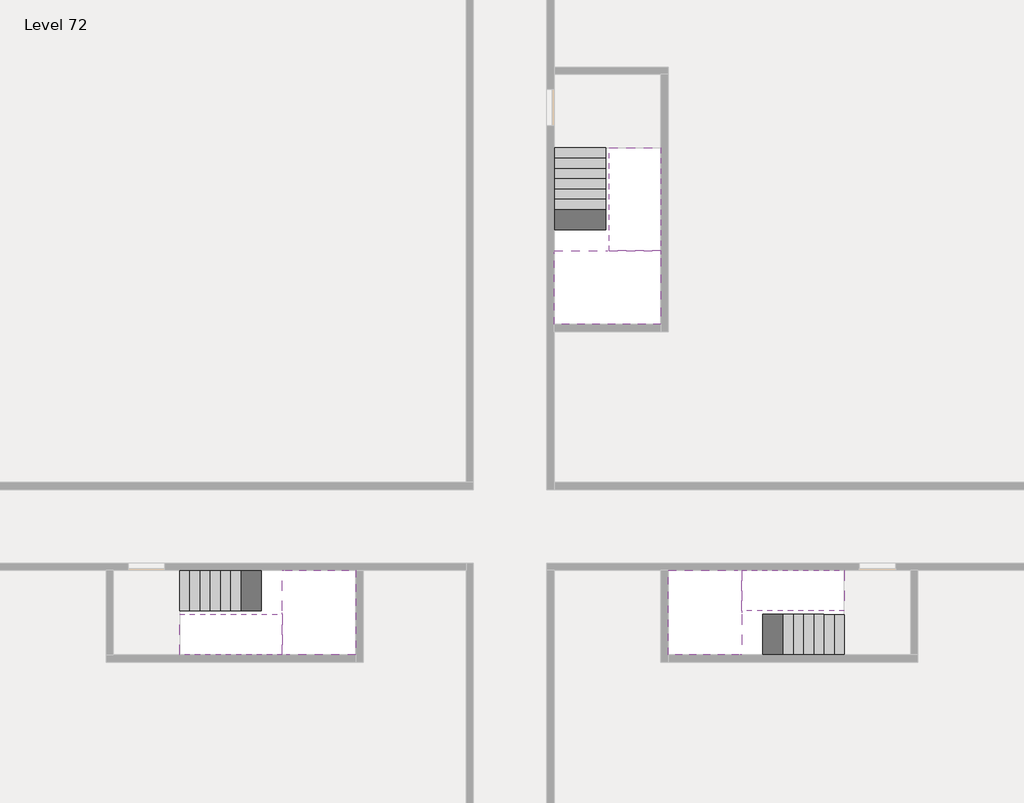
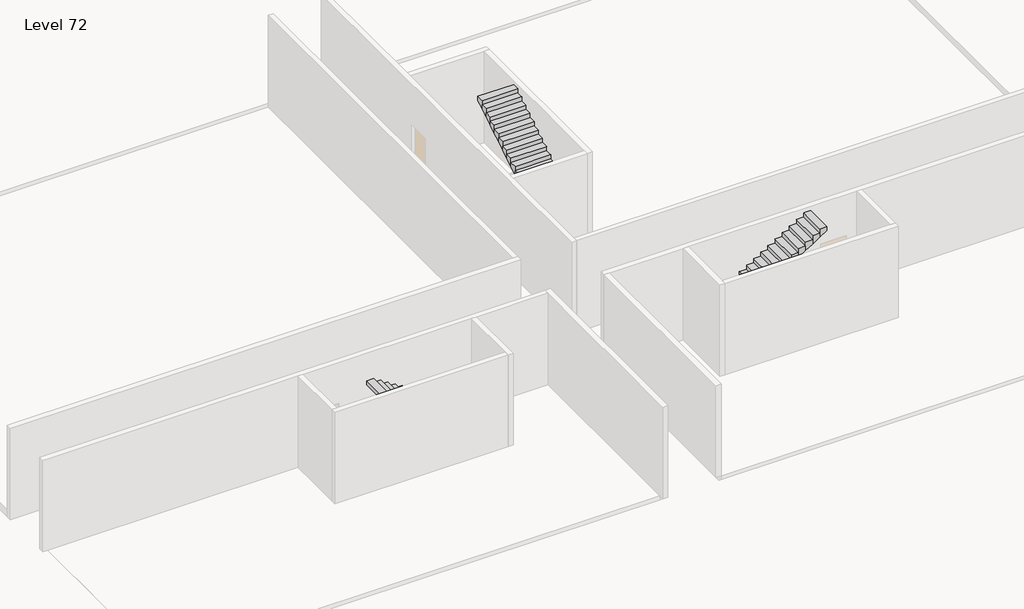
# One storey, part 2 of 2: 6 stair flights, 3 slabs.
"""IFC4 building model written with IfcOpenShell, lengths in millimetres."""

import ifcopenshell
import ifcopenshell.guid

model = None  # the IFC model being written
_history = None  # IfcOwnerHistory: only IFC2X3 demands one
_inside = {}  # id of a spatial element -> (the spatial element, [elements in it])
_under = {}  # id of a project, library or spatial element -> (it, [spatial elements below it])
_declared = {}  # id of a project -> (the project, [libraries it declares])
_typed = {}  # id of a type object -> (the type object, [elements of that type])
_made_of = {}  # id of a material, layer set ... -> (it, [elements and type objects made of it])


def new_model(schema):
    """Start an empty IFC model of exactly this schema.

    Asked for "IFC4X3", IfcOpenShell would pick the latest addendum, in which some entities
    have other attributes; the version numbers below select the first issue.
    IFC2X3 requires an IfcOwnerHistory on every rooted entity: one is made here for all.
    """
    global model, _history
    if schema == "IFC4X3":
        model = ifcopenshell.file(schema_version=(4, 3, 0, 0))
    else:
        model = ifcopenshell.file(schema=schema)
    _inside.clear()
    _under.clear()
    _declared.clear()
    _typed.clear()
    _made_of.clear()
    _history = None
    if model.schema == "IFC2X3":
        org = make("IfcOrganization", Name="unknown")
        user = make(
            "IfcPersonAndOrganization",
            ThePerson=make("IfcPerson", FamilyName="unknown"),
            TheOrganization=org,
        )
        app = make(
            "IfcApplication",
            ApplicationDeveloper=org,
            Version="unknown",
            ApplicationFullName="unknown",
            ApplicationIdentifier="unknown",
        )
        _history = make(
            "IfcOwnerHistory",
            OwningUser=user,
            OwningApplication=app,
            ChangeAction="ADDED",
            CreationDate=0,
        )
    return model


def make(cls, **values):
    """One entity of the class cls with the attributes given. An attribute that is None is left unset."""
    return model.create_entity(
        cls, **{name: value for name, value in values.items() if value is not None}
    )


def rooted(cls, **values):
    """An entity with a GlobalId (a new one), such as an element, a storey or a relation."""
    return make(cls, GlobalId=ifcopenshell.guid.new(), OwnerHistory=_history, **values)


def si_unit(unit_type, name, prefix=None):
    """IfcSIUnit, for example si_unit("LENGTHUNIT", "METRE", prefix="MILLI")."""
    return make("IfcSIUnit", UnitType=unit_type, Prefix=prefix, Name=name)


def assignment(units):
    """IfcUnitAssignment: the units of a project."""
    return None if units is None else make("IfcUnitAssignment", Units=units)


def point(xyz):
    """IfcCartesianPoint."""
    return None if xyz is None else make("IfcCartesianPoint", Coordinates=xyz)


def direction(xyz):
    """IfcDirection."""
    return None if xyz is None else make("IfcDirection", DirectionRatios=xyz)


def frame(location, z_axis=None, x_axis=None):
    """IfcAxis2Placement3D, a coordinate frame: its origin and axes. An axis left out is left unset."""
    return make(
        "IfcAxis2Placement3D",
        Location=point(location),
        Axis=direction(z_axis),
        RefDirection=direction(x_axis),
    )


def origin():
    """The frame at (0, 0, 0) with its axes left unset."""
    return frame((0.0, 0.0, 0.0))


def place(relative_to, where):
    """IfcLocalPlacement: puts the frame where relative to a parent placement (None: the world)."""
    return make(
        "IfcLocalPlacement", PlacementRelTo=relative_to, RelativePlacement=where
    )


def context(
    kind, dimensions, precision=None, world=None, true_north=None, identifier=None
):
    """IfcGeometricRepresentationContext, for example the 3D "Model" context."""
    return make(
        "IfcGeometricRepresentationContext",
        ContextIdentifier=identifier,
        ContextType=kind,
        CoordinateSpaceDimension=dimensions,
        Precision=precision,
        WorldCoordinateSystem=world,
        TrueNorth=true_north,
    )


def project(units=None, contexts=None):
    """IfcProject with its units and contexts."""
    return rooted(
        "IfcProject",
        Name="project",
        RepresentationContexts=contexts,
        UnitsInContext=assignment(units),
    )


def spatial(cls, under=None, at=None, **own):
    """A site, building, storey or space (cls), placed at a placement, below another one or the project."""
    s = rooted(cls, ObjectPlacement=at, **own)
    if under is not None:
        _under.setdefault(under.id(), (under, []))[1].append(s)
    return s


def faces_of(points, faces, orient=None, outer=None):
    """IfcFace entities. A face is a list of loops; a loop is a list of indices into points, from 0.

    orient and outer hold one flag for each loop. By default every Orientation is true, the
    first loop of a face is its IfcFaceOuterBound and the others are IfcFaceBound.
    """
    made = []
    for i, loops in enumerate(faces):
        bounds = []
        for j, loop in enumerate(loops):
            is_outer = j == 0 if outer is None else outer[i][j]
            bounds.append(
                make(
                    "IfcFaceOuterBound" if is_outer else "IfcFaceBound",
                    Bound=make("IfcPolyLoop", Polygon=[points[k] for k in loop]),
                    Orientation=True if orient is None else orient[i][j],
                )
            )
        made.append(make("IfcFace", Bounds=bounds))
    return made


def faceted_brep(points, faces, orient=None, outer=None, voids=None):
    """IfcFacetedBrep: a solid bounded by flat faces; with voids (closed shells), ...WithVoids."""
    shared = [point(p) for p in points]
    hull = make("IfcClosedShell", CfsFaces=faces_of(shared, faces, orient, outer))
    if voids is None:
        return make("IfcFacetedBrep", Outer=hull)
    return make(
        "IfcFacetedBrepWithVoids",
        Outer=hull,
        Voids=[
            make(cls, CfsFaces=faces_of(shared, fs, o, b)) for cls, fs, o, b in voids
        ],
    )


def shape(context_of_items, identifier, shape_type, items):
    """IfcShapeRepresentation: the items that make up one representation, for example the "Body"."""
    return make(
        "IfcShapeRepresentation",
        ContextOfItems=context_of_items,
        RepresentationIdentifier=identifier,
        RepresentationType=shape_type,
        Items=items,
    )


def made_of(thing, what):
    """Note that an element or type object is made of a material, layer set ...; save() writes the relation."""
    if what is not None:
        _made_of.setdefault(what.id(), (what, []))[1].append(thing)
    return thing


def element(
    cls,
    number,
    at=None,
    inside=None,
    cuts=None,
    type_object=None,
    material=None,
    context=None,
    identifier="Body",
    shape_type=None,
    held_by="IfcProductDefinitionShape",
    body=None,
    shapes=None,
    **own,
):
    """One element of the class cls, such as IfcWall. Its Tag is "e" and its number.

    at: its placement. inside: the storey or other place that contains it. cuts: it is an
    opening in that element (IfcRelVoidsElement). A single representation is given by context,
    identifier, shape_type and body (its items); several are given by shapes. held_by: the class
    of the entity that holds the representations. save() writes the other relations.
    """
    e = rooted(cls, Tag="e%d" % number, ObjectPlacement=at, **own)
    if body is not None:
        shapes = [shape(context, identifier, shape_type, body)]
    if shapes is not None:
        e.Representation = make(held_by, Representations=shapes)
    if inside is not None:
        _inside.setdefault(inside.id(), (inside, []))[1].append(e)
    if cuts is not None:
        rooted(
            "IfcRelVoidsElement", RelatingBuildingElement=cuts, RelatedOpeningElement=e
        )
    if type_object is not None:
        _typed.setdefault(type_object.id(), (type_object, []))[1].append(e)
    return made_of(e, material)


def aggregate(whole, parts):
    """IfcRelAggregates: a whole, such as a stair, and the parts it consists of."""
    return rooted("IfcRelAggregates", RelatingObject=whole, RelatedObjects=parts)


def save(model, path):
    """Write the relations noted so far, then the file.

    IfcRelAggregates (storeys below a building ...), IfcRelContainedInSpatialStructure (elements
    in a storey), IfcRelDefinesByType, IfcRelAssociatesMaterial and IfcRelDeclares: one each for
    every whole, place, type object, material and project.
    """
    for whole, parts in _under.values():
        aggregate(whole, parts)
    for where, things in _inside.values():
        rooted(
            "IfcRelContainedInSpatialStructure",
            RelatedElements=things,
            RelatingStructure=where,
        )
    for kind, things in _typed.values():
        rooted("IfcRelDefinesByType", RelatedObjects=things, RelatingType=kind)
    for what, things in _made_of.values():
        rooted("IfcRelAssociatesMaterial", RelatedObjects=things, RelatingMaterial=what)
    for by, libraries in _declared.values():
        rooted("IfcRelDeclares", RelatingContext=by, RelatedDefinitions=libraries)
    model.write(path)


model = new_model("IFC4")

# Units and contexts
model_context = context("Model", 3, world=origin())
ifc_project = project(units=[si_unit("LENGTHUNIT", "METRE", prefix="MILLI")], contexts=[model_context])

# Site, building, storey
site = spatial("IfcSite", under=ifc_project)
building = spatial("IfcBuilding", under=site)
storey = spatial("IfcBuildingStorey", under=building, Name="Level 72", Elevation=269800.0)

# Slabs
placement = place(None, origin())
element("IfcSlab", 1, at=placement, inside=storey, context=model_context, shape_type="Brep", body=[
    faceted_brep([(26790.1058784, -34218.09644, 271700.0), (25390.1058784, -34218.09644, 271700.0), (25390.1058784, -34297.4828763, 271700.0), (25390.1058784, -36218.09644, 271700.0), (28290.1058784, -36218.09644, 271700.0), (28290.1058784, -34418.7100038, 271700.0), (28290.1058784, -34218.09644, 271700.0), (26890.1058784, -34218.09644, 271700.0), (26790.1058784, -34218.09644, 271400.0), (26790.1058784, -34218.09644, 271351.0278478), (25390.1058784, -34218.09644, 271351.0278478), (25390.1058784, -34218.09644, 271527.2727273), (25390.1058784, -34297.4828763, 271400.0), (25390.1058784, -36218.09644, 271400.0), (28290.1058784, -36218.09644, 271400.0), (28290.1058784, -34418.7100038, 271400.0), (28290.1058784, -34218.09644, 271523.7551205), (26890.1058784, -34218.09644, 271523.7551205), (26890.1058784, -34218.09644, 271400.0), (26890.1058784, -34418.7100038, 271400.0), (26790.1058784, -34297.4828763, 271400.0)], [[[0, 1, 2, 3, 4, 5, 6, 7]], [[1, 0, 8, 9, 10, 11]], [[1, 11, 10, 12, 13, 3, 2]], [[4, 3, 13, 14]], [[4, 14, 15, 16, 6, 5]], [[7, 6, 16, 17]], [[0, 7, 17, 18, 8]], [[18, 19, 15, 14, 13, 12, 20, 8]], [[19, 18, 17]], [[20, 12, 10, 9]], [[8, 20, 9]], [[15, 19, 17, 16]]]),
])
element("IfcSlab", 2, at=placement, inside=storey, context=model_context, shape_type="Brep", body=[
    faceted_brep([(30490.1058784, -45218.09644, 271700.0), (30490.1058784, -44118.09644, 271700.0), (30490.1058784, -44018.09644, 271700.0), (30490.1058784, -42918.09644, 271700.0), (30289.4923146, -42918.09644, 271700.0), (28490.1058784, -42918.09644, 271700.0), (28490.1058784, -45218.09644, 271700.0), (30410.7194421, -45218.09644, 271700.0), (30490.1058784, -45218.09644, 271527.2727273), (30490.1058784, -45218.09644, 271351.0278478), (30490.1058784, -44118.09644, 271351.0278478), (30490.1058784, -44118.09644, 271400.0), (30490.1058784, -44018.09644, 271400.0), (30490.1058784, -44018.09644, 271523.7551205), (30490.1058784, -42918.09644, 271523.7551205), (30289.4923146, -42918.09644, 271400.0), (28490.1058784, -42918.09644, 271400.0), (28490.1058784, -45218.09644, 271400.0), (30410.7194421, -45218.09644, 271400.0), (30289.4923146, -44018.09644, 271400.0), (30410.7194421, -44118.09644, 271400.0)], [[[0, 1, 2, 3, 4, 5, 6, 7]], [[1, 0, 8, 9, 10, 11]], [[2, 1, 11, 12, 13]], [[3, 2, 13, 14]], [[3, 14, 15, 16, 5, 4]], [[6, 5, 16, 17]], [[9, 8, 0, 7, 6, 17, 18]], [[19, 12, 11, 20, 18, 17, 16, 15]], [[12, 19, 13]], [[18, 20, 10, 9]], [[20, 11, 10]], [[19, 15, 14, 13]]]),
])
element("IfcSlab", 3, at=placement, inside=storey, context=model_context, shape_type="Brep", body=[
    faceted_brep([(17990.1058784, -42918.09644, 271700.0), (17990.1058784, -44018.09644, 271700.0), (17990.1058784, -44118.09644, 271700.0), (17990.1058784, -45218.09644, 271700.0), (18190.7194421, -45218.09644, 271700.0), (19990.1058784, -45218.09644, 271700.0), (19990.1058784, -42918.09644, 271700.0), (18069.4923146, -42918.09644, 271700.0), (17990.1058784, -42918.09644, 271527.2727273), (17990.1058784, -42918.09644, 271351.0278478), (17990.1058784, -44018.09644, 271351.0278478), (17990.1058784, -44018.09644, 271400.0), (17990.1058784, -44118.09644, 271400.0), (17990.1058784, -44118.09644, 271523.7551205), (17990.1058784, -45218.09644, 271523.7551205), (18190.7194421, -45218.09644, 271400.0), (19990.1058784, -45218.09644, 271400.0), (19990.1058784, -42918.09644, 271400.0), (18069.4923146, -42918.09644, 271400.0), (18190.7194421, -44118.09644, 271400.0), (18069.4923146, -44018.09644, 271400.0)], [[[0, 1, 2, 3, 4, 5, 6, 7]], [[1, 0, 8, 9, 10, 11]], [[2, 1, 11, 12, 13]], [[3, 2, 13, 14]], [[3, 14, 15, 16, 5, 4]], [[6, 5, 16, 17]], [[9, 8, 0, 7, 6, 17, 18]], [[19, 12, 11, 20, 18, 17, 16, 15]], [[12, 19, 13]], [[18, 20, 10, 9]], [[20, 11, 10]], [[19, 15, 14, 13]]]),
])

# Stair flights
element("IfcStairFlight", 4, at=placement, inside=storey, context=model_context, shape_type="Brep", body=[
    faceted_brep([(26790.1058784, -31698.09644, 269972.7272727), (26790.1058784, -31418.09644, 269972.7272727), (25390.1058784, -31418.09644, 269972.7272727), (25390.1058784, -31698.09644, 269972.7272727), (26790.1058784, -31698.09644, 269800.0), (26790.1058784, -31418.09644, 269800.0), (25390.1058784, -31418.09644, 269800.0), (25390.1058784, -31698.09644, 269800.0), (26790.1058784, -31978.09644, 270145.4545455), (26790.1058784, -31698.09644, 270145.4545455), (25390.1058784, -31698.09644, 270145.4545455), (25390.1058784, -31978.09644, 270145.4545455), (26790.1058784, -31978.09644, 269969.209666), (26790.1058784, -31703.7986657, 269800.0), (25390.1058784, -31703.7986657, 269800.0), (25390.1058784, -31978.09644, 269969.209666), (26790.1058784, -32258.09644, 270318.1818182), (26790.1058784, -31978.09644, 270318.1818182), (25390.1058784, -31978.09644, 270318.1818182), (25390.1058784, -32258.09644, 270318.1818182), (26790.1058784, -32258.09644, 270141.9369387), (25390.1058784, -32258.09644, 270141.9369387), (26790.1058784, -32538.09644, 270490.9090909), (26790.1058784, -32258.09644, 270490.9090909), (25390.1058784, -32258.09644, 270490.9090909), (25390.1058784, -32538.09644, 270490.9090909), (26790.1058784, -32538.09644, 270314.6642114), (25390.1058784, -32538.09644, 270314.6642114), (26790.1058784, -32818.09644, 270663.6363636), (26790.1058784, -32538.09644, 270663.6363636), (25390.1058784, -32538.09644, 270663.6363636), (25390.1058784, -32818.09644, 270663.6363636), (26790.1058784, -32818.09644, 270487.3914841), (25390.1058784, -32818.09644, 270487.3914841), (26790.1058784, -33098.09644, 270836.3636364), (26790.1058784, -32818.09644, 270836.3636364), (25390.1058784, -32818.09644, 270836.3636364), (25390.1058784, -33098.09644, 270836.3636364), (26790.1058784, -33098.09644, 270660.1187569), (25390.1058784, -33098.09644, 270660.1187569), (26790.1058784, -33378.09644, 271009.0909091), (26790.1058784, -33098.09644, 271009.0909091), (25390.1058784, -33098.09644, 271009.0909091), (25390.1058784, -33378.09644, 271009.0909091), (26790.1058784, -33378.09644, 270832.8460296), (25390.1058784, -33378.09644, 270832.8460296), (26790.1058784, -33658.09644, 271181.8181818), (26790.1058784, -33378.09644, 271181.8181818), (25390.1058784, -33378.09644, 271181.8181818), (25390.1058784, -33658.09644, 271181.8181818), (26790.1058784, -33658.09644, 271005.5733023), (25390.1058784, -33658.09644, 271005.5733023), (26790.1058784, -33938.09644, 271354.5454545), (26790.1058784, -33658.09644, 271354.5454545), (25390.1058784, -33658.09644, 271354.5454545), (25390.1058784, -33938.09644, 271354.5454545), (26790.1058784, -33938.09644, 271178.3005751), (25390.1058784, -33938.09644, 271178.3005751), (26790.1058784, -34218.09644, 271527.2727273), (26790.1058784, -33938.09644, 271527.2727273), (25390.1058784, -33938.09644, 271527.2727273), (25390.1058784, -34218.09644, 271527.2727273), (26790.1058784, -34218.09644, 271400.0), (26790.1058784, -34218.09644, 271351.0278478), (25390.1058784, -34218.09644, 271351.0278478)], [[[0, 1, 2, 3]], [[1, 0, 4, 5]], [[2, 1, 5, 6]], [[3, 2, 6, 7]], [[8, 9, 10, 11]], [[4, 0, 9, 8, 12, 13]], [[0, 3, 10, 9]], [[3, 7, 14, 15, 11, 10]], [[16, 17, 18, 19]], [[17, 16, 20, 12, 8]], [[8, 11, 18, 17]], [[19, 18, 11, 15, 21]], [[22, 23, 24, 25]], [[23, 22, 26, 20, 16]], [[16, 19, 24, 23]], [[25, 24, 19, 21, 27]], [[28, 29, 30, 31]], [[29, 28, 32, 26, 22]], [[22, 25, 30, 29]], [[31, 30, 25, 27, 33]], [[34, 35, 36, 37]], [[35, 34, 38, 32, 28]], [[28, 31, 36, 35]], [[37, 36, 31, 33, 39]], [[40, 41, 42, 43]], [[41, 40, 44, 38, 34]], [[34, 37, 42, 41]], [[43, 42, 37, 39, 45]], [[46, 47, 48, 49]], [[47, 46, 50, 44, 40]], [[40, 43, 48, 47]], [[49, 48, 43, 45, 51]], [[52, 53, 54, 55]], [[53, 52, 56, 50, 46]], [[46, 49, 54, 53]], [[55, 54, 49, 51, 57]], [[58, 59, 60, 61]], [[59, 58, 62, 63, 56, 52]], [[52, 55, 60, 59]], [[61, 60, 55, 57, 64]], [[58, 61, 64, 63, 62]], [[5, 4, 13, 14, 7, 6]], [[14, 13, 12, 20, 26, 32, 38, 44, 50, 56, 63, 64, 57, 51, 45, 39, 33, 27, 21, 15]]]),
])
element("IfcStairFlight", 5, at=placement, inside=storey, context=model_context, shape_type="Brep", body=[
    faceted_brep([(26890.1058784, -33938.09644, 271872.7272727), (26890.1058784, -34218.09644, 271872.7272727), (28290.1058784, -34218.09644, 271872.7272727), (28290.1058784, -33938.09644, 271872.7272727), (26890.1058784, -33938.09644, 271696.4823932), (26890.1058784, -34218.09644, 271523.7551205), (28290.1058784, -34218.09644, 271523.7551205), (28290.1058784, -34218.09644, 271700.0), (28290.1058784, -33938.09644, 271696.4823932), (26890.1058784, -33658.09644, 272045.4545455), (26890.1058784, -33938.09644, 272045.4545455), (28290.1058784, -33938.09644, 272045.4545455), (28290.1058784, -33658.09644, 272045.4545455), (26890.1058784, -33658.09644, 271869.209666), (28290.1058784, -33658.09644, 271869.209666), (26890.1058784, -33378.09644, 272218.1818182), (26890.1058784, -33658.09644, 272218.1818182), (28290.1058784, -33658.09644, 272218.1818182), (28290.1058784, -33378.09644, 272218.1818182), (26890.1058784, -33378.09644, 272041.9369387), (28290.1058784, -33378.09644, 272041.9369387), (26890.1058784, -33098.09644, 272390.9090909), (26890.1058784, -33378.09644, 272390.9090909), (28290.1058784, -33378.09644, 272390.9090909), (28290.1058784, -33098.09644, 272390.9090909), (26890.1058784, -33098.09644, 272214.6642114), (28290.1058784, -33098.09644, 272214.6642114), (26890.1058784, -32818.09644, 272563.6363636), (26890.1058784, -33098.09644, 272563.6363636), (28290.1058784, -33098.09644, 272563.6363636), (28290.1058784, -32818.09644, 272563.6363636), (26890.1058784, -32818.09644, 272387.3914841), (28290.1058784, -32818.09644, 272387.3914841), (26890.1058784, -32538.09644, 272736.3636364), (26890.1058784, -32818.09644, 272736.3636364), (28290.1058784, -32818.09644, 272736.3636364), (28290.1058784, -32538.09644, 272736.3636364), (26890.1058784, -32538.09644, 272560.1187569), (28290.1058784, -32538.09644, 272560.1187569), (26890.1058784, -32258.09644, 272909.0909091), (26890.1058784, -32538.09644, 272909.0909091), (28290.1058784, -32538.09644, 272909.0909091), (28290.1058784, -32258.09644, 272909.0909091), (26890.1058784, -32258.09644, 272732.8460296), (28290.1058784, -32258.09644, 272732.8460296), (26890.1058784, -31978.09644, 273081.8181818), (26890.1058784, -32258.09644, 273081.8181818), (28290.1058784, -32258.09644, 273081.8181818), (28290.1058784, -31978.09644, 273081.8181818), (26890.1058784, -31978.09644, 272905.5733023), (28290.1058784, -31978.09644, 272905.5733023), (26890.1058784, -31698.09644, 273254.5454545), (26890.1058784, -31978.09644, 273254.5454545), (28290.1058784, -31978.09644, 273254.5454545), (28290.1058784, -31698.09644, 273254.5454545), (26890.1058784, -31698.09644, 273078.3005751), (28290.1058784, -31698.09644, 273078.3005751), (26890.1058784, -31418.09644, 273427.2727273), (26890.1058784, -31698.09644, 273427.2727273), (28290.1058784, -31698.09644, 273427.2727273), (28290.1058784, -31418.09644, 273427.2727273), (26890.1058784, -31418.09644, 273251.0278478), (28290.1058784, -31418.09644, 273251.0278478)], [[[0, 1, 2, 3]], [[1, 0, 4, 5]], [[2, 1, 5, 6, 7]], [[3, 2, 7, 6, 8]], [[9, 10, 11, 12]], [[10, 9, 13, 4, 0]], [[11, 10, 0, 3]], [[12, 11, 3, 8, 14]], [[15, 16, 17, 18]], [[16, 15, 19, 13, 9]], [[17, 16, 9, 12]], [[18, 17, 12, 14, 20]], [[21, 22, 23, 24]], [[22, 21, 25, 19, 15]], [[23, 22, 15, 18]], [[24, 23, 18, 20, 26]], [[27, 28, 29, 30]], [[28, 27, 31, 25, 21]], [[29, 28, 21, 24]], [[30, 29, 24, 26, 32]], [[33, 34, 35, 36]], [[34, 33, 37, 31, 27]], [[35, 34, 27, 30]], [[36, 35, 30, 32, 38]], [[39, 40, 41, 42]], [[40, 39, 43, 37, 33]], [[41, 40, 33, 36]], [[42, 41, 36, 38, 44]], [[45, 46, 47, 48]], [[46, 45, 49, 43, 39]], [[47, 46, 39, 42]], [[48, 47, 42, 44, 50]], [[51, 52, 53, 54]], [[52, 51, 55, 49, 45]], [[53, 52, 45, 48]], [[54, 53, 48, 50, 56]], [[57, 58, 59, 60]], [[58, 57, 61, 55, 51]], [[59, 58, 51, 54]], [[60, 59, 54, 56, 62]], [[57, 60, 62, 61]], [[5, 4, 13, 19, 25, 31, 37, 43, 49, 55, 61, 62, 56, 50, 44, 38, 32, 26, 20, 14, 8, 6]]]),
])
element("IfcStairFlight", 6, at=placement, inside=storey, context=model_context, shape_type="Brep", body=[
    faceted_brep([(33010.1058784, -45218.09644, 269972.7272727), (33290.1058784, -45218.09644, 269972.7272727), (33290.1058784, -44118.09644, 269972.7272727), (33010.1058784, -44118.09644, 269972.7272727), (33010.1058784, -45218.09644, 269800.0), (33290.1058784, -45218.09644, 269800.0), (33290.1058784, -44118.09644, 269800.0), (33010.1058784, -44118.09644, 269800.0), (32730.1058784, -45218.09644, 270145.4545455), (33010.1058784, -45218.09644, 270145.4545455), (33010.1058784, -44118.09644, 270145.4545455), (32730.1058784, -44118.09644, 270145.4545455), (32730.1058784, -45218.09644, 269969.209666), (33004.4036527, -45218.09644, 269800.0), (33004.4036527, -44118.09644, 269800.0), (32730.1058784, -44118.09644, 269969.209666), (32450.1058784, -45218.09644, 270318.1818182), (32730.1058784, -45218.09644, 270318.1818182), (32730.1058784, -44118.09644, 270318.1818182), (32450.1058784, -44118.09644, 270318.1818182), (32450.1058784, -45218.09644, 270141.9369387), (32450.1058784, -44118.09644, 270141.9369387), (32170.1058784, -45218.09644, 270490.9090909), (32450.1058784, -45218.09644, 270490.9090909), (32450.1058784, -44118.09644, 270490.9090909), (32170.1058784, -44118.09644, 270490.9090909), (32170.1058784, -45218.09644, 270314.6642114), (32170.1058784, -44118.09644, 270314.6642114), (31890.1058784, -45218.09644, 270663.6363636), (32170.1058784, -45218.09644, 270663.6363636), (32170.1058784, -44118.09644, 270663.6363636), (31890.1058784, -44118.09644, 270663.6363636), (31890.1058784, -45218.09644, 270487.3914841), (31890.1058784, -44118.09644, 270487.3914841), (31610.1058784, -45218.09644, 270836.3636364), (31890.1058784, -45218.09644, 270836.3636364), (31890.1058784, -44118.09644, 270836.3636364), (31610.1058784, -44118.09644, 270836.3636364), (31610.1058784, -45218.09644, 270660.1187569), (31610.1058784, -44118.09644, 270660.1187569), (31330.1058784, -45218.09644, 271009.0909091), (31610.1058784, -45218.09644, 271009.0909091), (31610.1058784, -44118.09644, 271009.0909091), (31330.1058784, -44118.09644, 271009.0909091), (31330.1058784, -45218.09644, 270832.8460296), (31330.1058784, -44118.09644, 270832.8460296), (31050.1058784, -45218.09644, 271181.8181818), (31330.1058784, -45218.09644, 271181.8181818), (31330.1058784, -44118.09644, 271181.8181818), (31050.1058784, -44118.09644, 271181.8181818), (31050.1058784, -45218.09644, 271005.5733023), (31050.1058784, -44118.09644, 271005.5733023), (30770.1058784, -45218.09644, 271354.5454545), (31050.1058784, -45218.09644, 271354.5454545), (31050.1058784, -44118.09644, 271354.5454545), (30770.1058784, -44118.09644, 271354.5454545), (30770.1058784, -45218.09644, 271178.3005751), (30770.1058784, -44118.09644, 271178.3005751), (30490.1058784, -45218.09644, 271527.2727273), (30770.1058784, -45218.09644, 271527.2727273), (30770.1058784, -44118.09644, 271527.2727273), (30490.1058784, -44118.09644, 271527.2727273), (30490.1058784, -45218.09644, 271351.0278478), (30490.1058784, -44118.09644, 271351.0278478), (30490.1058784, -44118.09644, 271400.0)], [[[0, 1, 2, 3]], [[1, 0, 4, 5]], [[2, 1, 5, 6]], [[3, 2, 6, 7]], [[8, 9, 10, 11]], [[4, 0, 9, 8, 12, 13]], [[0, 3, 10, 9]], [[3, 7, 14, 15, 11, 10]], [[16, 17, 18, 19]], [[17, 16, 20, 12, 8]], [[8, 11, 18, 17]], [[19, 18, 11, 15, 21]], [[22, 23, 24, 25]], [[23, 22, 26, 20, 16]], [[16, 19, 24, 23]], [[25, 24, 19, 21, 27]], [[28, 29, 30, 31]], [[29, 28, 32, 26, 22]], [[22, 25, 30, 29]], [[31, 30, 25, 27, 33]], [[34, 35, 36, 37]], [[35, 34, 38, 32, 28]], [[28, 31, 36, 35]], [[37, 36, 31, 33, 39]], [[40, 41, 42, 43]], [[41, 40, 44, 38, 34]], [[34, 37, 42, 41]], [[43, 42, 37, 39, 45]], [[46, 47, 48, 49]], [[47, 46, 50, 44, 40]], [[40, 43, 48, 47]], [[49, 48, 43, 45, 51]], [[52, 53, 54, 55]], [[53, 52, 56, 50, 46]], [[46, 49, 54, 53]], [[55, 54, 49, 51, 57]], [[58, 59, 60, 61]], [[59, 58, 62, 56, 52]], [[52, 55, 60, 59]], [[61, 60, 55, 57, 63, 64]], [[58, 61, 64, 63, 62]], [[5, 4, 13, 14, 7, 6]], [[14, 13, 12, 20, 26, 32, 38, 44, 50, 56, 62, 63, 57, 51, 45, 39, 33, 27, 21, 15]]]),
])
element("IfcStairFlight", 7, at=placement, inside=storey, context=model_context, shape_type="Brep", body=[
    faceted_brep([(30770.1058784, -42918.09644, 271872.7272727), (30490.1058784, -42918.09644, 271872.7272727), (30490.1058784, -44018.09644, 271872.7272727), (30770.1058784, -44018.09644, 271872.7272727), (30770.1058784, -42918.09644, 271696.4823932), (30490.1058784, -42918.09644, 271523.7551205), (30490.1058784, -42918.09644, 271700.0), (30490.1058784, -44018.09644, 271523.7551205), (30770.1058784, -44018.09644, 271696.4823932), (31050.1058784, -42918.09644, 272045.4545455), (30770.1058784, -42918.09644, 272045.4545455), (30770.1058784, -44018.09644, 272045.4545455), (31050.1058784, -44018.09644, 272045.4545455), (31050.1058784, -42918.09644, 271869.209666), (31050.1058784, -44018.09644, 271869.209666), (31330.1058784, -42918.09644, 272218.1818182), (31050.1058784, -42918.09644, 272218.1818182), (31050.1058784, -44018.09644, 272218.1818182), (31330.1058784, -44018.09644, 272218.1818182), (31330.1058784, -42918.09644, 272041.9369387), (31330.1058784, -44018.09644, 272041.9369387), (31610.1058784, -42918.09644, 272390.9090909), (31330.1058784, -42918.09644, 272390.9090909), (31330.1058784, -44018.09644, 272390.9090909), (31610.1058784, -44018.09644, 272390.9090909), (31610.1058784, -42918.09644, 272214.6642114), (31610.1058784, -44018.09644, 272214.6642114), (31890.1058784, -42918.09644, 272563.6363636), (31610.1058784, -42918.09644, 272563.6363636), (31610.1058784, -44018.09644, 272563.6363636), (31890.1058784, -44018.09644, 272563.6363636), (31890.1058784, -42918.09644, 272387.3914841), (31890.1058784, -44018.09644, 272387.3914841), (32170.1058784, -42918.09644, 272736.3636364), (31890.1058784, -42918.09644, 272736.3636364), (31890.1058784, -44018.09644, 272736.3636364), (32170.1058784, -44018.09644, 272736.3636364), (32170.1058784, -42918.09644, 272560.1187569), (32170.1058784, -44018.09644, 272560.1187569), (32450.1058784, -42918.09644, 272909.0909091), (32170.1058784, -42918.09644, 272909.0909091), (32170.1058784, -44018.09644, 272909.0909091), (32450.1058784, -44018.09644, 272909.0909091), (32450.1058784, -42918.09644, 272732.8460296), (32450.1058784, -44018.09644, 272732.8460296), (32730.1058784, -42918.09644, 273081.8181818), (32450.1058784, -42918.09644, 273081.8181818), (32450.1058784, -44018.09644, 273081.8181818), (32730.1058784, -44018.09644, 273081.8181818), (32730.1058784, -42918.09644, 272905.5733023), (32730.1058784, -44018.09644, 272905.5733023), (33010.1058784, -42918.09644, 273254.5454545), (32730.1058784, -42918.09644, 273254.5454545), (32730.1058784, -44018.09644, 273254.5454545), (33010.1058784, -44018.09644, 273254.5454545), (33010.1058784, -42918.09644, 273078.3005751), (33010.1058784, -44018.09644, 273078.3005751), (33290.1058784, -42918.09644, 273427.2727273), (33010.1058784, -42918.09644, 273427.2727273), (33010.1058784, -44018.09644, 273427.2727273), (33290.1058784, -44018.09644, 273427.2727273), (33290.1058784, -42918.09644, 273251.0278478), (33290.1058784, -44018.09644, 273251.0278478)], [[[0, 1, 2, 3]], [[1, 0, 4, 5, 6]], [[2, 1, 6, 5, 7]], [[3, 2, 7, 8]], [[9, 10, 11, 12]], [[10, 9, 13, 4, 0]], [[11, 10, 0, 3]], [[12, 11, 3, 8, 14]], [[15, 16, 17, 18]], [[16, 15, 19, 13, 9]], [[17, 16, 9, 12]], [[18, 17, 12, 14, 20]], [[21, 22, 23, 24]], [[22, 21, 25, 19, 15]], [[23, 22, 15, 18]], [[24, 23, 18, 20, 26]], [[27, 28, 29, 30]], [[28, 27, 31, 25, 21]], [[29, 28, 21, 24]], [[30, 29, 24, 26, 32]], [[33, 34, 35, 36]], [[34, 33, 37, 31, 27]], [[35, 34, 27, 30]], [[36, 35, 30, 32, 38]], [[39, 40, 41, 42]], [[40, 39, 43, 37, 33]], [[41, 40, 33, 36]], [[42, 41, 36, 38, 44]], [[45, 46, 47, 48]], [[46, 45, 49, 43, 39]], [[47, 46, 39, 42]], [[48, 47, 42, 44, 50]], [[51, 52, 53, 54]], [[52, 51, 55, 49, 45]], [[53, 52, 45, 48]], [[54, 53, 48, 50, 56]], [[57, 58, 59, 60]], [[58, 57, 61, 55, 51]], [[59, 58, 51, 54]], [[60, 59, 54, 56, 62]], [[57, 60, 62, 61]], [[5, 4, 13, 19, 25, 31, 37, 43, 49, 55, 61, 62, 56, 50, 44, 38, 32, 26, 20, 14, 8, 7]]]),
])
element("IfcStairFlight", 8, at=placement, inside=storey, context=model_context, shape_type="Brep", body=[
    faceted_brep([(15470.1058784, -42918.09644, 269972.7272727), (15190.1058784, -42918.09644, 269972.7272727), (15190.1058784, -44018.09644, 269972.7272727), (15470.1058784, -44018.09644, 269972.7272727), (15470.1058784, -42918.09644, 269800.0), (15190.1058784, -42918.09644, 269800.0), (15190.1058784, -44018.09644, 269800.0), (15470.1058784, -44018.09644, 269800.0), (15750.1058784, -42918.09644, 270145.4545455), (15470.1058784, -42918.09644, 270145.4545455), (15470.1058784, -44018.09644, 270145.4545455), (15750.1058784, -44018.09644, 270145.4545455), (15750.1058784, -42918.09644, 269969.209666), (15475.8081041, -42918.09644, 269800.0), (15475.8081041, -44018.09644, 269800.0), (15750.1058784, -44018.09644, 269969.209666), (16030.1058784, -42918.09644, 270318.1818182), (15750.1058784, -42918.09644, 270318.1818182), (15750.1058784, -44018.09644, 270318.1818182), (16030.1058784, -44018.09644, 270318.1818182), (16030.1058784, -42918.09644, 270141.9369387), (16030.1058784, -44018.09644, 270141.9369387), (16310.1058784, -42918.09644, 270490.9090909), (16030.1058784, -42918.09644, 270490.9090909), (16030.1058784, -44018.09644, 270490.9090909), (16310.1058784, -44018.09644, 270490.9090909), (16310.1058784, -42918.09644, 270314.6642114), (16310.1058784, -44018.09644, 270314.6642114), (16590.1058784, -42918.09644, 270663.6363636), (16310.1058784, -42918.09644, 270663.6363636), (16310.1058784, -44018.09644, 270663.6363636), (16590.1058784, -44018.09644, 270663.6363636), (16590.1058784, -42918.09644, 270487.3914841), (16590.1058784, -44018.09644, 270487.3914841), (16870.1058784, -42918.09644, 270836.3636364), (16590.1058784, -42918.09644, 270836.3636364), (16590.1058784, -44018.09644, 270836.3636364), (16870.1058784, -44018.09644, 270836.3636364), (16870.1058784, -42918.09644, 270660.1187569), (16870.1058784, -44018.09644, 270660.1187569), (17150.1058784, -42918.09644, 271009.0909091), (16870.1058784, -42918.09644, 271009.0909091), (16870.1058784, -44018.09644, 271009.0909091), (17150.1058784, -44018.09644, 271009.0909091), (17150.1058784, -42918.09644, 270832.8460296), (17150.1058784, -44018.09644, 270832.8460296), (17430.1058784, -42918.09644, 271181.8181818), (17150.1058784, -42918.09644, 271181.8181818), (17150.1058784, -44018.09644, 271181.8181818), (17430.1058784, -44018.09644, 271181.8181818), (17430.1058784, -42918.09644, 271005.5733023), (17430.1058784, -44018.09644, 271005.5733023), (17710.1058784, -42918.09644, 271354.5454545), (17430.1058784, -42918.09644, 271354.5454545), (17430.1058784, -44018.09644, 271354.5454545), (17710.1058784, -44018.09644, 271354.5454545), (17710.1058784, -42918.09644, 271178.3005751), (17710.1058784, -44018.09644, 271178.3005751), (17990.1058784, -42918.09644, 271527.2727273), (17710.1058784, -42918.09644, 271527.2727273), (17710.1058784, -44018.09644, 271527.2727273), (17990.1058784, -44018.09644, 271527.2727273), (17990.1058784, -42918.09644, 271351.0278478), (17990.1058784, -44018.09644, 271351.0278478), (17990.1058784, -44018.09644, 271400.0)], [[[0, 1, 2, 3]], [[1, 0, 4, 5]], [[2, 1, 5, 6]], [[3, 2, 6, 7]], [[8, 9, 10, 11]], [[4, 0, 9, 8, 12, 13]], [[0, 3, 10, 9]], [[3, 7, 14, 15, 11, 10]], [[16, 17, 18, 19]], [[17, 16, 20, 12, 8]], [[8, 11, 18, 17]], [[19, 18, 11, 15, 21]], [[22, 23, 24, 25]], [[23, 22, 26, 20, 16]], [[16, 19, 24, 23]], [[25, 24, 19, 21, 27]], [[28, 29, 30, 31]], [[29, 28, 32, 26, 22]], [[22, 25, 30, 29]], [[31, 30, 25, 27, 33]], [[34, 35, 36, 37]], [[35, 34, 38, 32, 28]], [[28, 31, 36, 35]], [[37, 36, 31, 33, 39]], [[40, 41, 42, 43]], [[41, 40, 44, 38, 34]], [[34, 37, 42, 41]], [[43, 42, 37, 39, 45]], [[46, 47, 48, 49]], [[47, 46, 50, 44, 40]], [[40, 43, 48, 47]], [[49, 48, 43, 45, 51]], [[52, 53, 54, 55]], [[53, 52, 56, 50, 46]], [[46, 49, 54, 53]], [[55, 54, 49, 51, 57]], [[58, 59, 60, 61]], [[59, 58, 62, 56, 52]], [[52, 55, 60, 59]], [[61, 60, 55, 57, 63, 64]], [[58, 61, 64, 63, 62]], [[5, 4, 13, 14, 7, 6]], [[14, 13, 12, 20, 26, 32, 38, 44, 50, 56, 62, 63, 57, 51, 45, 39, 33, 27, 21, 15]]]),
])
element("IfcStairFlight", 9, at=placement, inside=storey, context=model_context, shape_type="Brep", body=[
    faceted_brep([(17710.1058784, -45218.09644, 271872.7272727), (17990.1058784, -45218.09644, 271872.7272727), (17990.1058784, -44118.09644, 271872.7272727), (17710.1058784, -44118.09644, 271872.7272727), (17710.1058784, -45218.09644, 271696.4823932), (17990.1058784, -45218.09644, 271523.7551205), (17990.1058784, -45218.09644, 271700.0), (17990.1058784, -44118.09644, 271523.7551205), (17710.1058784, -44118.09644, 271696.4823932), (17430.1058784, -45218.09644, 272045.4545455), (17710.1058784, -45218.09644, 272045.4545455), (17710.1058784, -44118.09644, 272045.4545455), (17430.1058784, -44118.09644, 272045.4545455), (17430.1058784, -45218.09644, 271869.209666), (17430.1058784, -44118.09644, 271869.209666), (17150.1058784, -45218.09644, 272218.1818182), (17430.1058784, -45218.09644, 272218.1818182), (17430.1058784, -44118.09644, 272218.1818182), (17150.1058784, -44118.09644, 272218.1818182), (17150.1058784, -45218.09644, 272041.9369387), (17150.1058784, -44118.09644, 272041.9369387), (16870.1058784, -45218.09644, 272390.9090909), (17150.1058784, -45218.09644, 272390.9090909), (17150.1058784, -44118.09644, 272390.9090909), (16870.1058784, -44118.09644, 272390.9090909), (16870.1058784, -45218.09644, 272214.6642114), (16870.1058784, -44118.09644, 272214.6642114), (16590.1058784, -45218.09644, 272563.6363636), (16870.1058784, -45218.09644, 272563.6363636), (16870.1058784, -44118.09644, 272563.6363636), (16590.1058784, -44118.09644, 272563.6363636), (16590.1058784, -45218.09644, 272387.3914841), (16590.1058784, -44118.09644, 272387.3914841), (16310.1058784, -45218.09644, 272736.3636364), (16590.1058784, -45218.09644, 272736.3636364), (16590.1058784, -44118.09644, 272736.3636364), (16310.1058784, -44118.09644, 272736.3636364), (16310.1058784, -45218.09644, 272560.1187569), (16310.1058784, -44118.09644, 272560.1187569), (16030.1058784, -45218.09644, 272909.0909091), (16310.1058784, -45218.09644, 272909.0909091), (16310.1058784, -44118.09644, 272909.0909091), (16030.1058784, -44118.09644, 272909.0909091), (16030.1058784, -45218.09644, 272732.8460296), (16030.1058784, -44118.09644, 272732.8460296), (15750.1058784, -45218.09644, 273081.8181818), (16030.1058784, -45218.09644, 273081.8181818), (16030.1058784, -44118.09644, 273081.8181818), (15750.1058784, -44118.09644, 273081.8181818), (15750.1058784, -45218.09644, 272905.5733023), (15750.1058784, -44118.09644, 272905.5733023), (15470.1058784, -45218.09644, 273254.5454545), (15750.1058784, -45218.09644, 273254.5454545), (15750.1058784, -44118.09644, 273254.5454545), (15470.1058784, -44118.09644, 273254.5454545), (15470.1058784, -45218.09644, 273078.3005751), (15470.1058784, -44118.09644, 273078.3005751), (15190.1058784, -45218.09644, 273427.2727273), (15470.1058784, -45218.09644, 273427.2727273), (15470.1058784, -44118.09644, 273427.2727273), (15190.1058784, -44118.09644, 273427.2727273), (15190.1058784, -45218.09644, 273251.0278478), (15190.1058784, -44118.09644, 273251.0278478)], [[[0, 1, 2, 3]], [[1, 0, 4, 5, 6]], [[2, 1, 6, 5, 7]], [[3, 2, 7, 8]], [[9, 10, 11, 12]], [[10, 9, 13, 4, 0]], [[11, 10, 0, 3]], [[12, 11, 3, 8, 14]], [[15, 16, 17, 18]], [[16, 15, 19, 13, 9]], [[17, 16, 9, 12]], [[18, 17, 12, 14, 20]], [[21, 22, 23, 24]], [[22, 21, 25, 19, 15]], [[23, 22, 15, 18]], [[24, 23, 18, 20, 26]], [[27, 28, 29, 30]], [[28, 27, 31, 25, 21]], [[29, 28, 21, 24]], [[30, 29, 24, 26, 32]], [[33, 34, 35, 36]], [[34, 33, 37, 31, 27]], [[35, 34, 27, 30]], [[36, 35, 30, 32, 38]], [[39, 40, 41, 42]], [[40, 39, 43, 37, 33]], [[41, 40, 33, 36]], [[42, 41, 36, 38, 44]], [[45, 46, 47, 48]], [[46, 45, 49, 43, 39]], [[47, 46, 39, 42]], [[48, 47, 42, 44, 50]], [[51, 52, 53, 54]], [[52, 51, 55, 49, 45]], [[53, 52, 45, 48]], [[54, 53, 48, 50, 56]], [[57, 58, 59, 60]], [[58, 57, 61, 55, 51]], [[59, 58, 51, 54]], [[60, 59, 54, 56, 62]], [[57, 60, 62, 61]], [[5, 4, 13, 19, 25, 31, 37, 43, 49, 55, 61, 62, 56, 50, 44, 38, 32, 26, 20, 14, 8, 7]]]),
])

save(model, "model.ifc")
